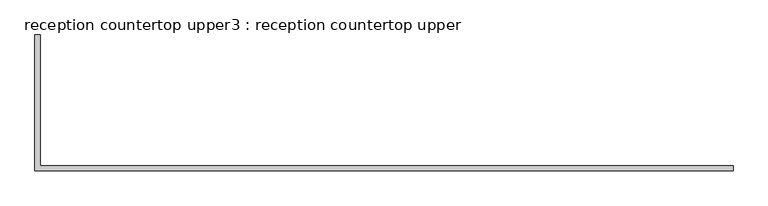
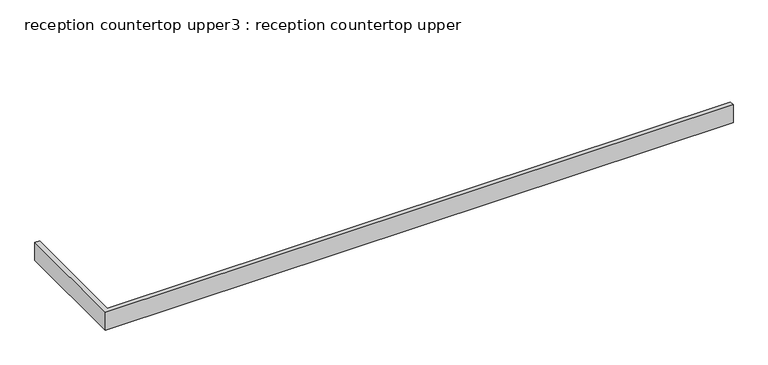
"""IFC4 building model written with IfcOpenShell, lengths in millimetres: furniture geometry, reception countertop upper3 : reception countertop upper."""

import ifcopenshell
import ifcopenshell.guid

model = None  # the IFC model being written
_history = None  # IfcOwnerHistory: only IFC2X3 demands one
_inside = {}  # id of a spatial element -> (the spatial element, [elements in it])
_under = {}  # id of a project, library or spatial element -> (it, [spatial elements below it])
_declared = {}  # id of a project -> (the project, [libraries it declares])
_typed = {}  # id of a type object -> (the type object, [elements of that type])
_made_of = {}  # id of a material, layer set ... -> (it, [elements and type objects made of it])


def new_model(schema):
    """Start an empty IFC model of exactly this schema.

    Asked for "IFC4X3", IfcOpenShell would pick the latest addendum, in which some entities
    have other attributes; the version numbers below select the first issue.
    IFC2X3 requires an IfcOwnerHistory on every rooted entity: one is made here for all.
    """
    global model, _history
    if schema == "IFC4X3":
        model = ifcopenshell.file(schema_version=(4, 3, 0, 0))
    else:
        model = ifcopenshell.file(schema=schema)
    _inside.clear()
    _under.clear()
    _declared.clear()
    _typed.clear()
    _made_of.clear()
    _history = None
    if model.schema == "IFC2X3":
        org = make("IfcOrganization", Name="unknown")
        user = make(
            "IfcPersonAndOrganization",
            ThePerson=make("IfcPerson", FamilyName="unknown"),
            TheOrganization=org,
        )
        app = make(
            "IfcApplication",
            ApplicationDeveloper=org,
            Version="unknown",
            ApplicationFullName="unknown",
            ApplicationIdentifier="unknown",
        )
        _history = make(
            "IfcOwnerHistory",
            OwningUser=user,
            OwningApplication=app,
            ChangeAction="ADDED",
            CreationDate=0,
        )
    return model


def make(cls, **values):
    """One entity of the class cls with the attributes given. An attribute that is None is left unset."""
    return model.create_entity(
        cls, **{name: value for name, value in values.items() if value is not None}
    )


def rooted(cls, **values):
    """An entity with a GlobalId (a new one), such as an element, a storey or a relation."""
    return make(cls, GlobalId=ifcopenshell.guid.new(), OwnerHistory=_history, **values)


def si_unit(unit_type, name, prefix=None):
    """IfcSIUnit, for example si_unit("LENGTHUNIT", "METRE", prefix="MILLI")."""
    return make("IfcSIUnit", UnitType=unit_type, Prefix=prefix, Name=name)


def assignment(units):
    """IfcUnitAssignment: the units of a project."""
    return None if units is None else make("IfcUnitAssignment", Units=units)


def point(xyz):
    """IfcCartesianPoint."""
    return None if xyz is None else make("IfcCartesianPoint", Coordinates=xyz)


def direction(xyz):
    """IfcDirection."""
    return None if xyz is None else make("IfcDirection", DirectionRatios=xyz)


def frame(location, z_axis=None, x_axis=None):
    """IfcAxis2Placement3D, a coordinate frame: its origin and axes. An axis left out is left unset."""
    return make(
        "IfcAxis2Placement3D",
        Location=point(location),
        Axis=direction(z_axis),
        RefDirection=direction(x_axis),
    )


def origin():
    """The frame at (0, 0, 0) with its axes left unset."""
    return frame((0.0, 0.0, 0.0))


def origin_with_axes():
    """The frame at (0, 0, 0) with the z axis (0, 0, 1) and the x axis (1, 0, 0) written out."""
    return frame((0.0, 0.0, 0.0), z_axis=(0.0, 0.0, 1.0), x_axis=(1.0, 0.0, 0.0))


def place(relative_to, where):
    """IfcLocalPlacement: puts the frame where relative to a parent placement (None: the world)."""
    return make(
        "IfcLocalPlacement", PlacementRelTo=relative_to, RelativePlacement=where
    )


def context(
    kind, dimensions, precision=None, world=None, true_north=None, identifier=None
):
    """IfcGeometricRepresentationContext, for example the 3D "Model" context."""
    return make(
        "IfcGeometricRepresentationContext",
        ContextIdentifier=identifier,
        ContextType=kind,
        CoordinateSpaceDimension=dimensions,
        Precision=precision,
        WorldCoordinateSystem=world,
        TrueNorth=true_north,
    )


def project(units=None, contexts=None):
    """IfcProject with its units and contexts."""
    return rooted(
        "IfcProject",
        Name="project",
        RepresentationContexts=contexts,
        UnitsInContext=assignment(units),
    )


def spatial(cls, under=None, at=None, **own):
    """A site, building, storey or space (cls), placed at a placement, below another one or the project."""
    s = rooted(cls, ObjectPlacement=at, **own)
    if under is not None:
        _under.setdefault(under.id(), (under, []))[1].append(s)
    return s


def polyline(points):
    """IfcPolyline through the points."""
    return make("IfcPolyline", Points=[point(p) for p in points])


def outline(outer, holes=None, kind="AREA"):
    """IfcArbitraryClosedProfileDef: a profile drawn as a closed curve; with holes, ...WithVoids."""
    if holes is None:
        return make("IfcArbitraryClosedProfileDef", ProfileType=kind, OuterCurve=outer)
    return make(
        "IfcArbitraryProfileDefWithVoids",
        ProfileType=kind,
        OuterCurve=outer,
        InnerCurves=holes,
    )


def extrude(swept, where, along, depth):
    """IfcExtrudedAreaSolid: the profile swept, set in the frame where, extruded along a direction by depth."""
    return make(
        "IfcExtrudedAreaSolid",
        SweptArea=swept,
        Position=where,
        ExtrudedDirection=direction(along),
        Depth=depth,
    )


def shape(context_of_items, identifier, shape_type, items):
    """IfcShapeRepresentation: the items that make up one representation, for example the "Body"."""
    return make(
        "IfcShapeRepresentation",
        ContextOfItems=context_of_items,
        RepresentationIdentifier=identifier,
        RepresentationType=shape_type,
        Items=items,
    )


def source(mapping_origin, context_of_items, identifier, shape_type, items):
    """IfcRepresentationMap: a shape defined once, which mapped items show again and again."""
    return make(
        "IfcRepresentationMap",
        MappingOrigin=mapping_origin,
        MappedRepresentation=shape(context_of_items, identifier, shape_type, items),
    )


def transform(
    local_origin,
    x_axis=None,
    y_axis=None,
    z_axis=None,
    scale=None,
    scale2=None,
    scale3=None,
    uniform=True,
):
    """IfcCartesianTransformationOperator3D, or its non-uniform kind. x_axis, y_axis, z_axis: its Axis1, 2, 3."""
    if uniform:
        return make(
            "IfcCartesianTransformationOperator3D",
            Axis1=direction(x_axis),
            Axis2=direction(y_axis),
            LocalOrigin=point(local_origin),
            Scale=scale,
            Axis3=direction(z_axis),
        )
    return make(
        "IfcCartesianTransformationOperator3DnonUniform",
        Axis1=direction(x_axis),
        Axis2=direction(y_axis),
        LocalOrigin=point(local_origin),
        Scale=scale,
        Axis3=direction(z_axis),
        Scale2=scale2,
        Scale3=scale3,
    )


def mapped(mapping_source, mapping_target):
    """IfcMappedItem: shows the shape of a source again, moved by a transform."""
    return make(
        "IfcMappedItem", MappingSource=mapping_source, MappingTarget=mapping_target
    )


def made_of(thing, what):
    """Note that an element or type object is made of a material, layer set ...; save() writes the relation."""
    if what is not None:
        _made_of.setdefault(what.id(), (what, []))[1].append(thing)
    return thing


def element(
    cls,
    number,
    at=None,
    inside=None,
    cuts=None,
    type_object=None,
    material=None,
    context=None,
    identifier="Body",
    shape_type=None,
    held_by="IfcProductDefinitionShape",
    body=None,
    shapes=None,
    **own,
):
    """One element of the class cls, such as IfcWall. Its Tag is "e" and its number.

    at: its placement. inside: the storey or other place that contains it. cuts: it is an
    opening in that element (IfcRelVoidsElement). A single representation is given by context,
    identifier, shape_type and body (its items); several are given by shapes. held_by: the class
    of the entity that holds the representations. save() writes the other relations.
    """
    e = rooted(cls, Tag="e%d" % number, ObjectPlacement=at, **own)
    if body is not None:
        shapes = [shape(context, identifier, shape_type, body)]
    if shapes is not None:
        e.Representation = make(held_by, Representations=shapes)
    if inside is not None:
        _inside.setdefault(inside.id(), (inside, []))[1].append(e)
    if cuts is not None:
        rooted(
            "IfcRelVoidsElement", RelatingBuildingElement=cuts, RelatedOpeningElement=e
        )
    if type_object is not None:
        _typed.setdefault(type_object.id(), (type_object, []))[1].append(e)
    return made_of(e, material)


def aggregate(whole, parts):
    """IfcRelAggregates: a whole, such as a stair, and the parts it consists of."""
    return rooted("IfcRelAggregates", RelatingObject=whole, RelatedObjects=parts)


def save(model, path):
    """Write the relations noted so far, then the file.

    IfcRelAggregates (storeys below a building ...), IfcRelContainedInSpatialStructure (elements
    in a storey), IfcRelDefinesByType, IfcRelAssociatesMaterial and IfcRelDeclares: one each for
    every whole, place, type object, material and project.
    """
    for whole, parts in _under.values():
        aggregate(whole, parts)
    for where, things in _inside.values():
        rooted(
            "IfcRelContainedInSpatialStructure",
            RelatedElements=things,
            RelatingStructure=where,
        )
    for kind, things in _typed.values():
        rooted("IfcRelDefinesByType", RelatedObjects=things, RelatingType=kind)
    for what, things in _made_of.values():
        rooted("IfcRelAssociatesMaterial", RelatedObjects=things, RelatingMaterial=what)
    for by, libraries in _declared.values():
        rooted("IfcRelDeclares", RelatingContext=by, RelatedDefinitions=libraries)
    model.write(path)


def reception_countertop_upper3_reception_countertop_upper_20382c50(model_context):
    return source(origin(), model_context, "Body", "SweptSolid", [
        extrude(outline(polyline([(34772.6, 1612.9), (31378.3895787, 1612.9), (31378.3895787, 2273.3), (31403.7895787, 2273.3), (31403.7895787, 1638.3), (34772.6, 1638.3), (34772.6, 1612.9)])), origin_with_axes(), (0.0, 0.0, 1.0), 101.6),
    ])


if __name__ == "__main__":
    model = new_model("IFC4")
    model_context = context("Model", 3, world=origin())
    ifc_project = project(units=[si_unit("LENGTHUNIT", "METRE", prefix="MILLI")], contexts=[model_context])
    site = spatial("IfcSite", under=ifc_project)
    building = spatial("IfcBuilding", under=site)
    placement = place(None, origin())
    reception_countertop_upper3_reception_countertop_upper_shape = reception_countertop_upper3_reception_countertop_upper_20382c50(model_context)
    element("IfcFurniture", 1, ObjectType="reception countertop upper3 : reception countertop upper", at=placement, inside=building, context=model_context, shape_type="MappedRepresentation", body=[
        mapped(reception_countertop_upper3_reception_countertop_upper_shape, transform((0.0, 0.0, 0.0), x_axis=(1.0, 0.0, 0.0), y_axis=(0.0, 1.0, 0.0), z_axis=(0.0, 0.0, 1.0))),
    ])
    save(model, "model.ifc")
